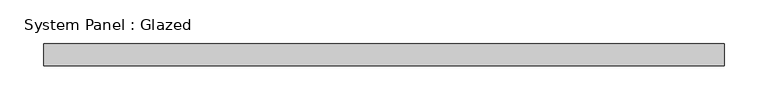
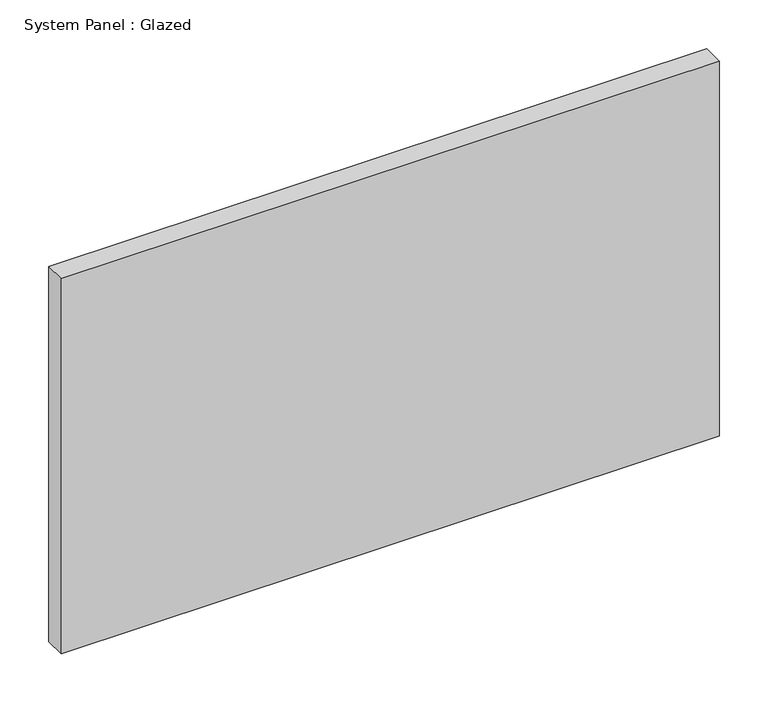
"""IFC4 building model written with IfcOpenShell, lengths in millimetres: plate geometry, System Panel : Glazed."""

from ifc_helpers import new_model, si_unit, origin, origin_with_axes, place, context, project, spatial, polyline, outline, extrude, source, transform, mapped, element, save


def system_panel_glazed_c453ec68(model_context):
    return source(origin(), model_context, "Body", "SweptSolid", [
        extrude(outline(polyline([(389.6684567, -12.7), (-389.6684567, -12.7), (-389.6684567, 12.7), (389.6684567, 12.7), (389.6684567, -12.7)])), origin_with_axes(), (0.0, 0.0, 1.0), 469.9),
    ])


if __name__ == "__main__":
    model = new_model("IFC4")
    model_context = context("Model", 3, world=origin())
    ifc_project = project(units=[si_unit("LENGTHUNIT", "METRE", prefix="MILLI")], contexts=[model_context])
    site = spatial("IfcSite", under=ifc_project)
    building = spatial("IfcBuilding", under=site)
    placement = place(None, origin())
    system_panel_glazed_shape = system_panel_glazed_c453ec68(model_context)
    element("IfcPlate", 1, ObjectType="System Panel : Glazed", at=placement, inside=building, context=model_context, shape_type="MappedRepresentation", body=[
        mapped(system_panel_glazed_shape, transform((0.0, 0.0, 0.0), x_axis=(1.0, 0.0, 0.0), y_axis=(0.0, 1.0, 0.0), z_axis=(0.0, 0.0, 1.0))),
    ])
    save(model, "model.ifc")
